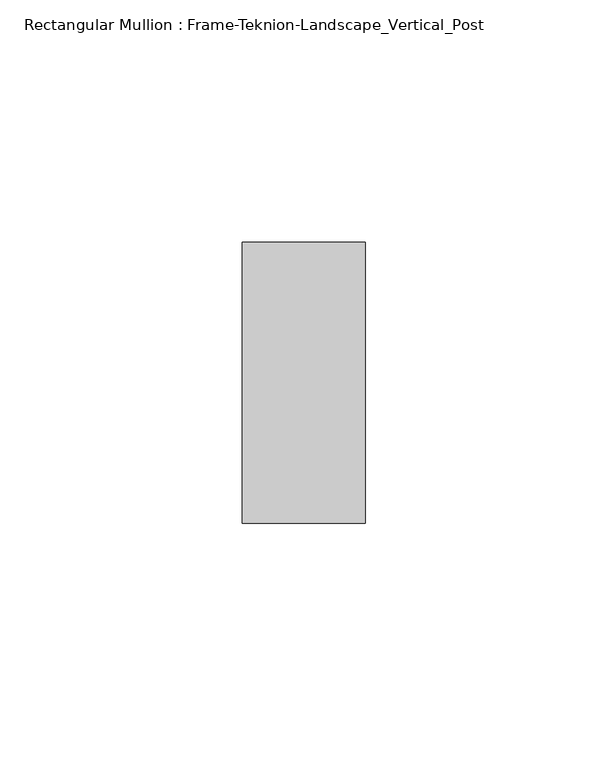
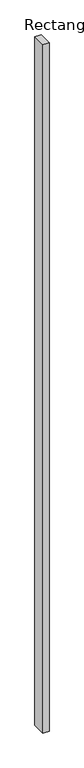
"""IFC4 building model written with IfcOpenShell, lengths in millimetres: member geometry, Rectangular Mullion : Frame-Teknion-Landscape_Vertical_Post."""

from ifc_helpers import new_model, si_unit, frame, origin, place, context, project, spatial, polyline, outline, extrude, source, transform, mapped, element, save


def rectangular_mullion_frame_teknion_landscape_vertical_post_c0fad7d9(model_context):
    return source(origin(), model_context, "Body", "SweptSolid", [
        extrude(outline(polyline([(-12.7, 28.971875), (12.7, 28.971875), (12.7, -28.971875), (-12.7, -28.971875), (-12.7, 28.971875)])), frame((0.0, 0.0, -3024.6835938), z_axis=(0.0, 0.0, 1.0), x_axis=(1.0, 0.0, 0.0)), (0.0, 0.0, 1.0), 3024.6835938),
    ])


if __name__ == "__main__":
    model = new_model("IFC4")
    model_context = context("Model", 3, world=origin())
    ifc_project = project(units=[si_unit("LENGTHUNIT", "METRE", prefix="MILLI")], contexts=[model_context])
    site = spatial("IfcSite", under=ifc_project)
    building = spatial("IfcBuilding", under=site)
    placement = place(None, origin())
    rectangular_mullion_frame_teknion_landscape_vertical_post_shape = rectangular_mullion_frame_teknion_landscape_vertical_post_c0fad7d9(model_context)
    element("IfcMember", 1, ObjectType="Rectangular Mullion : Frame-Teknion-Landscape_Vertical_Post", at=placement, inside=building, context=model_context, shape_type="MappedRepresentation", body=[
        mapped(rectangular_mullion_frame_teknion_landscape_vertical_post_shape, transform((0.0, 0.0, 0.0), x_axis=(1.0, 0.0, 0.0), y_axis=(0.0, 1.0, 0.0), z_axis=(0.0, 0.0, 1.0))),
    ])
    save(model, "model.ifc")
